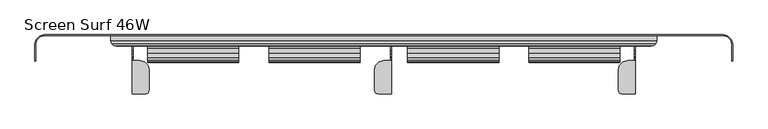
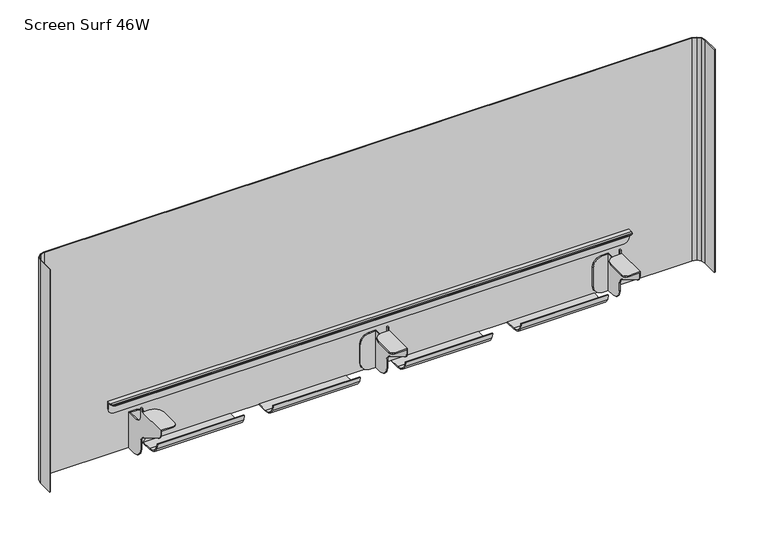
"""IFC4 building model written with IfcOpenShell, lengths in millimetres: furniture geometry, Screen Surf 46W."""

from ifc_helpers import new_model, si_unit, frame, origin, place, context, project, spatial, polyline, outline, extrude, faceted_brep, source, transform, mapped, element, save


def screen_surf_46w_4227848e(model_context):
    return source(origin(), model_context, "Body", "SolidModel", [
        extrude(outline(polyline([(26.1874, 620.2426378), (6.8833997, 620.2426378), (-2.2535497, 622.0600414), (-9.9994821, 627.2357429), (-15.1751473, 634.9816364), (-16.9925997, 644.1185787), (-15.4686, 644.1185787), (-13.767155, 635.5648857), (-8.921851, 628.3133661), (-1.6703402, 623.468095), (6.8833997, 621.7666), (26.1874, 621.7666), (26.1874, 620.2426378)])), frame((825.8810016, 0.0, 0.0), z_axis=(1.0, 0.0, 0.0), x_axis=(0.0, 1.0, 0.0)), (0.0, 0.0, 1.0), 152.4761945),
        extrude(outline(polyline([(26.1874, 620.2426378), (6.8833997, 620.2426378), (-2.2535497, 622.0600414), (-9.9994821, 627.2357429), (-15.1751473, 634.9816364), (-16.9925997, 644.1185787), (-15.4686, 644.1185787), (-13.767155, 635.5648857), (-8.921851, 628.3133661), (-1.6703402, 623.468095), (6.8833997, 621.7666), (26.1874, 621.7666), (26.1874, 620.2426378)])), frame((622.6810016, 0.0, 0.0), z_axis=(1.0, 0.0, 0.0), x_axis=(0.0, 1.0, 0.0)), (0.0, 0.0, 1.0), 152.4761945),
        extrude(outline(polyline([(26.1874, 620.2426378), (6.8833997, 620.2426378), (-2.2535497, 622.0600414), (-9.9994821, 627.2357429), (-15.1751473, 634.9816364), (-16.9925997, 644.1185787), (-15.4686, 644.1185787), (-13.767155, 635.5648857), (-8.921851, 628.3133661), (-1.6703402, 623.468095), (6.8833997, 621.7666), (26.1874, 621.7666), (26.1874, 620.2426378)])), frame((390.2701827, 0.0, 0.0), z_axis=(1.0, 0.0, 0.0), x_axis=(0.0, 1.0, 0.0)), (0.0, 0.0, 1.0), 152.4761945),
        extrude(outline(polyline([(26.1874, 620.2426378), (6.8833997, 620.2426378), (-2.2535497, 622.0600414), (-9.9994821, 627.2357429), (-15.1751473, 634.9816364), (-16.9925997, 644.1185787), (-15.4686, 644.1185787), (-13.767155, 635.5648857), (-8.921851, 628.3133661), (-1.6703402, 623.468095), (6.8833997, 621.7666), (26.1874, 621.7666), (26.1874, 620.2426378)])), frame((187.0701948, 0.0, 0.0), z_axis=(1.0, 0.0, 0.0), x_axis=(0.0, 1.0, 0.0)), (0.0, 0.0, 1.0), 152.4761945),
        faceted_brep([(593.7249879, -12.6746004, 716.2534547), (595.2489864, -12.6746004, 716.2534547), (595.2489864, -9.6265999, 716.2534547), (593.7249879, -9.6265999, 716.2534547), (595.2489864, 26.1874, 620.24151), (595.2489864, 9.6773998, 620.24151), (593.7249879, 9.6773998, 620.24151), (593.7249879, 23.9013999, 620.24151), (582.6759893, 23.9013999, 620.24151), (582.6759893, 26.1874, 620.24151), (566.8009954, -30.0736008, 708.8874799), (566.8009954, -30.0736008, 711.1734596), (568.9278278, -22.1360993, 711.1734596), (568.9278278, -22.1360993, 708.8874799), (574.7384833, -16.3254472, 711.1734596), (574.7384833, -16.3254472, 708.8874799), (582.6759893, -14.1986001, 711.1734596), (582.6759893, -14.1986001, 708.8874799), (595.2489864, -14.1986001, 711.1734596), (595.2489864, -14.1986001, 708.1254625), (593.7249879, -14.1986001, 708.1254625), (593.7249879, -14.1986001, 708.8874799), (593.7249879, 0.0253999, 622.827762), (593.7249879, -7.0403547, 629.8934644), (593.7249879, -9.6265999, 639.5454915), (593.7249879, -9.6265999, 653.6991334), (593.7249879, -10.3925041, 658.0428363), (593.7249879, -12.5978359, 661.8625886), (593.7249879, -15.9765995, 664.6976627), (593.7249879, -63.7285983, 692.2673461), (593.7249879, -67.1073664, 695.1024202), (593.7249879, -69.312696, 698.9221725), (593.7249879, -70.0786013, 703.2658027), (593.7249879, -70.0786013, 708.8874799), (593.7249879, -12.6746004, 708.1254625), (593.7249879, -9.6265999, 699.9974702), (593.7249879, -7.9251225, 693.6474944), (593.7249879, -3.2766, 688.998941), (593.7249879, 3.0733999, 687.2975187), (593.7249879, 23.9013999, 687.2975187), (582.6759893, 23.9013999, 687.2975187), (574.7384833, 23.9013999, 685.1706136), (568.9278278, 23.9013999, 679.3599944), (566.8009954, 23.9013999, 671.4224702), (566.8009954, 23.9013999, 636.1164857), (568.9278278, 23.9013999, 628.1789615), (574.7384833, 23.9013999, 622.3683423), (566.8009954, 26.1874, 671.4224702), (566.8009954, 26.1874, 636.1164857), (574.7384833, 26.1874, 622.3683423), (568.9278278, 26.1874, 628.1789615), (568.9278278, 26.1874, 679.3599944), (574.7384833, 26.1874, 685.1706136), (582.6759893, 26.1874, 687.2975187), (595.2489864, 26.1874, 687.2975187), (595.2489864, -12.6746004, 708.1254625), (595.2489864, -70.0786013, 711.1734596), (595.2489864, -70.0786013, 703.2658027), (595.2489864, -69.312696, 698.9221725), (595.2489864, -67.1073664, 695.1024202), (595.2489864, -63.7285983, 692.2673461), (595.2489864, -15.9765995, 664.6976627), (595.2489864, -12.5978359, 661.8625886), (595.2489864, -10.3925041, 658.0428363), (595.2489864, -9.6265999, 653.6991334), (595.2489864, -9.6265999, 639.5454915), (595.2489864, -7.0403547, 629.8934644), (595.2489864, 0.0253999, 622.827762), (595.2489864, 3.0733999, 687.2975187), (595.2489864, -3.2766, 688.998941), (595.2489864, -7.9251225, 693.6474944), (595.2489864, -9.6265999, 699.9974702), (573.1509893, -70.0786013, 711.1734596), (573.1509893, -70.0786013, 708.8874799), (569.9759833, -69.2278629, 711.1734596), (569.9759833, -69.2278629, 708.8874799), (567.6517247, -66.9035998, 711.1734596), (567.6517247, -66.9035998, 708.8874799), (566.8009954, -63.7285983, 711.1734596), (566.8009954, -63.7285983, 708.8874799)], [[[0, 1, 2, 3]], [[4, 5, 6, 7, 8, 9]], [[10, 11, 12, 13]], [[13, 12, 14, 15]], [[15, 14, 16, 17]], [[17, 16, 18, 19, 20, 21]], [[7, 6, 22, 23, 24, 25, 26, 27, 28, 29, 30, 31, 32, 33, 21, 20, 34, 0, 3, 35, 36, 37, 38, 39]], [[7, 39, 40, 41, 42, 43, 44, 45, 46, 8]], [[43, 47, 48, 44]], [[9, 49, 50, 48, 47, 51, 52, 53, 54, 4]], [[1, 55, 19, 18, 56, 57, 58, 59, 60, 61, 62, 63, 64, 65, 66, 67, 5, 4, 54, 68, 69, 70, 71, 2]], [[33, 32, 57, 56, 72, 73]], [[73, 72, 74, 75]], [[75, 74, 76, 77]], [[77, 76, 78, 79]], [[79, 78, 11, 10]], [[40, 39, 38, 68, 54, 53]], [[53, 52, 41, 40]], [[52, 51, 42, 41]], [[51, 47, 43, 42]], [[45, 44, 48, 50]], [[50, 49, 46, 45]], [[49, 9, 8, 46]], [[33, 73, 75, 77, 79, 10, 13, 15, 17, 21]], [[16, 14, 12, 11, 78, 76, 74, 72, 56, 18]], [[19, 55, 34, 20]], [[55, 1, 0, 34]], [[67, 66, 23, 22]], [[66, 65, 24, 23]], [[65, 64, 25, 24]], [[64, 63, 26, 25]], [[63, 62, 27, 26]], [[62, 61, 28, 27]], [[61, 60, 29, 28]], [[60, 59, 30, 29]], [[59, 58, 31, 30]], [[58, 57, 32, 31]], [[22, 6, 5, 67]], [[35, 3, 2, 71]], [[71, 70, 36, 35]], [[70, 69, 37, 36]], [[69, 68, 38, 37]]]),
        faceted_brep([(1002.157003, -12.6746004, 716.2534547), (1003.6810016, -12.6746004, 716.2534547), (1003.6810016, -9.6265999, 716.2534547), (1002.157003, -9.6265999, 716.2534547), (1003.6810016, 26.1874, 620.24151), (1003.6810016, 9.6773998, 620.24151), (1002.157003, 9.6773998, 620.24151), (1002.157003, 23.9013999, 620.24151), (991.1080045, 23.9013999, 620.24151), (991.1080045, 26.1874, 620.24151), (975.2330105, -30.0736008, 708.8874799), (975.2330105, -30.0736008, 711.1734596), (977.3598429, -22.1360993, 711.1734596), (977.3598429, -22.1360993, 708.8874799), (983.1704984, -16.3254472, 711.1734596), (983.1704984, -16.3254472, 708.8874799), (991.1080045, -14.1986001, 711.1734596), (991.1080045, -14.1986001, 708.8874799), (1003.6810016, -14.1986001, 711.1734596), (1003.6810016, -14.1986001, 708.1254625), (1002.157003, -14.1986001, 708.1254625), (1002.157003, -14.1986001, 708.8874799), (1002.157003, 0.0253999, 622.827762), (1002.157003, -7.0403547, 629.8934644), (1002.157003, -9.6265999, 639.5454915), (1002.157003, -9.6265999, 653.6991334), (1002.157003, -10.3925041, 658.0428363), (1002.157003, -12.5978359, 661.8625886), (1002.157003, -15.9765995, 664.6976627), (1002.157003, -63.7285983, 692.2673461), (1002.157003, -67.1073664, 695.1024202), (1002.157003, -69.312696, 698.9221725), (1002.157003, -70.0786013, 703.2658027), (1002.157003, -70.0786013, 708.8874799), (1002.157003, -12.6746004, 708.1254625), (1002.157003, -9.6265999, 699.9974702), (1002.157003, -7.9251225, 693.6474944), (1002.157003, -3.2766, 688.998941), (1002.157003, 3.0733999, 687.2975187), (1002.157003, 23.9013999, 687.2975187), (991.1080045, 23.9013999, 687.2975187), (983.1704984, 23.9013999, 685.1706136), (977.3598429, 23.9013999, 679.3599944), (975.2330105, 23.9013999, 671.4224702), (975.2330105, 23.9013999, 636.1164857), (977.3598429, 23.9013999, 628.1789615), (983.1704984, 23.9013999, 622.3683423), (975.2330105, 26.1874, 671.4224702), (975.2330105, 26.1874, 636.1164857), (983.1704984, 26.1874, 622.3683423), (977.3598429, 26.1874, 628.1789615), (977.3598429, 26.1874, 679.3599944), (983.1704984, 26.1874, 685.1706136), (991.1080045, 26.1874, 687.2975187), (1003.6810016, 26.1874, 687.2975187), (1003.6810016, -12.6746004, 708.1254625), (1003.6810016, -70.0786013, 711.1734596), (1003.6810016, -70.0786013, 703.2658027), (1003.6810016, -69.312696, 698.9221725), (1003.6810016, -67.1073664, 695.1024202), (1003.6810016, -63.7285983, 692.2673461), (1003.6810016, -15.9765995, 664.6976627), (1003.6810016, -12.5978359, 661.8625886), (1003.6810016, -10.3925041, 658.0428363), (1003.6810016, -9.6265999, 653.6991334), (1003.6810016, -9.6265999, 639.5454915), (1003.6810016, -7.0403547, 629.8934644), (1003.6810016, 0.0253999, 622.827762), (1003.6810016, 3.0733999, 687.2975187), (1003.6810016, -3.2766, 688.998941), (1003.6810016, -7.9251225, 693.6474944), (1003.6810016, -9.6265999, 699.9974702), (981.5830045, -70.0786013, 711.1734596), (981.5830045, -70.0786013, 708.8874799), (978.4079984, -69.2278629, 711.1734596), (978.4079984, -69.2278629, 708.8874799), (976.0837399, -66.9035998, 711.1734596), (976.0837399, -66.9035998, 708.8874799), (975.2330105, -63.7285983, 711.1734596), (975.2330105, -63.7285983, 708.8874799)], [[[0, 1, 2, 3]], [[4, 5, 6, 7, 8, 9]], [[10, 11, 12, 13]], [[13, 12, 14, 15]], [[15, 14, 16, 17]], [[17, 16, 18, 19, 20, 21]], [[7, 6, 22, 23, 24, 25, 26, 27, 28, 29, 30, 31, 32, 33, 21, 20, 34, 0, 3, 35, 36, 37, 38, 39]], [[7, 39, 40, 41, 42, 43, 44, 45, 46, 8]], [[43, 47, 48, 44]], [[9, 49, 50, 48, 47, 51, 52, 53, 54, 4]], [[1, 55, 19, 18, 56, 57, 58, 59, 60, 61, 62, 63, 64, 65, 66, 67, 5, 4, 54, 68, 69, 70, 71, 2]], [[33, 32, 57, 56, 72, 73]], [[73, 72, 74, 75]], [[75, 74, 76, 77]], [[77, 76, 78, 79]], [[79, 78, 11, 10]], [[40, 39, 38, 68, 54, 53]], [[53, 52, 41, 40]], [[52, 51, 42, 41]], [[51, 47, 43, 42]], [[45, 44, 48, 50]], [[50, 49, 46, 45]], [[49, 9, 8, 46]], [[33, 73, 75, 77, 79, 10, 13, 15, 17, 21]], [[16, 14, 12, 11, 78, 76, 74, 72, 56, 18]], [[19, 55, 34, 20]], [[55, 1, 0, 34]], [[67, 66, 23, 22]], [[66, 65, 24, 23]], [[65, 64, 25, 24]], [[64, 63, 26, 25]], [[63, 62, 27, 26]], [[62, 61, 28, 27]], [[61, 60, 29, 28]], [[60, 59, 30, 29]], [[59, 58, 31, 30]], [[58, 57, 32, 31]], [[22, 6, 5, 67]], [[35, 3, 2, 71]], [[71, 70, 36, 35]], [[70, 69, 37, 36]], [[69, 68, 38, 37]]]),
        faceted_brep([(163.194997, -12.6746004, 716.2534547), (163.194997, -9.6265999, 716.2534547), (161.6709984, -9.6265999, 716.2534547), (161.6709984, -12.6746004, 716.2534547), (161.6709984, 26.1874, 620.24151), (174.2439955, 26.1874, 620.24151), (174.2439955, 23.9013999, 620.24151), (163.194997, 23.9013999, 620.24151), (163.194997, 9.6773998, 620.24151), (161.6709984, 9.6773998, 620.24151), (190.1189895, -30.0736008, 708.8874799), (187.9921571, -22.1360993, 708.8874799), (187.9921571, -22.1360993, 711.1734596), (190.1189895, -30.0736008, 711.1734596), (182.1815016, -16.3254472, 708.8874799), (182.1815016, -16.3254472, 711.1734596), (174.2439955, -14.1986001, 708.8874799), (174.2439955, -14.1986001, 711.1734596), (163.194997, -14.1986001, 708.8874799), (163.194997, -14.1986001, 708.1254625), (161.6709984, -14.1986001, 708.1254625), (161.6709984, -14.1986001, 711.1734596), (163.194997, 23.9013999, 687.2975187), (163.194997, 3.0733999, 687.2975187), (163.194997, -3.2766, 688.998941), (163.194997, -7.9251225, 693.6474944), (163.194997, -9.6265999, 699.9974702), (163.194997, -12.6746004, 708.1254625), (163.194997, -70.0786013, 708.8874799), (163.194997, -70.0786013, 703.2658027), (163.194997, -69.312696, 698.9221725), (163.194997, -67.1073664, 695.1024202), (163.194997, -63.7285983, 692.2673461), (163.194997, -15.9765995, 664.6976627), (163.194997, -12.5978359, 661.8625886), (163.194997, -10.3925041, 658.0428363), (163.194997, -9.6265999, 653.6991334), (163.194997, -9.6265999, 639.5454915), (163.194997, -7.0403547, 629.8934644), (163.194997, 0.0253999, 622.827762), (182.1815016, 23.9013999, 622.3683423), (187.9921571, 23.9013999, 628.1789615), (190.1189895, 23.9013999, 636.1164857), (190.1189895, 23.9013999, 671.4224702), (187.9921571, 23.9013999, 679.3599944), (182.1815016, 23.9013999, 685.1706136), (174.2439955, 23.9013999, 687.2975187), (190.1189895, 26.1874, 636.1164857), (190.1189895, 26.1874, 671.4224702), (161.6709984, 26.1874, 687.2975187), (174.2439955, 26.1874, 687.2975187), (182.1815016, 26.1874, 685.1706136), (187.9921571, 26.1874, 679.3599944), (187.9921571, 26.1874, 628.1789615), (182.1815016, 26.1874, 622.3683423), (161.6709984, -9.6265999, 699.9974702), (161.6709984, -7.9251225, 693.6474944), (161.6709984, -3.2766, 688.998941), (161.6709984, 3.0733999, 687.2975187), (161.6709984, 0.0253999, 622.827762), (161.6709984, -7.0403547, 629.8934644), (161.6709984, -9.6265999, 639.5454915), (161.6709984, -9.6265999, 653.6991334), (161.6709984, -10.3925041, 658.0428363), (161.6709984, -12.5978359, 661.8625886), (161.6709984, -15.9765995, 664.6976627), (161.6709984, -63.7285983, 692.2673461), (161.6709984, -67.1073664, 695.1024202), (161.6709984, -69.312696, 698.9221725), (161.6709984, -70.0786013, 703.2658027), (161.6709984, -70.0786013, 711.1734596), (161.6709984, -12.6746004, 708.1254625), (183.7689955, -70.0786013, 708.8874799), (183.7689955, -70.0786013, 711.1734596), (186.9440016, -69.2278629, 708.8874799), (186.9440016, -69.2278629, 711.1734596), (189.2682601, -66.9035998, 708.8874799), (189.2682601, -66.9035998, 711.1734596), (190.1189895, -63.7285983, 708.8874799), (190.1189895, -63.7285983, 711.1734596)], [[[0, 1, 2, 3]], [[4, 5, 6, 7, 8, 9]], [[10, 11, 12, 13]], [[11, 14, 15, 12]], [[14, 16, 17, 15]], [[16, 18, 19, 20, 21, 17]], [[7, 22, 23, 24, 25, 26, 1, 0, 27, 19, 18, 28, 29, 30, 31, 32, 33, 34, 35, 36, 37, 38, 39, 8]], [[7, 6, 40, 41, 42, 43, 44, 45, 46, 22]], [[43, 42, 47, 48]], [[5, 4, 49, 50, 51, 52, 48, 47, 53, 54]], [[3, 2, 55, 56, 57, 58, 49, 4, 9, 59, 60, 61, 62, 63, 64, 65, 66, 67, 68, 69, 70, 21, 20, 71]], [[28, 72, 73, 70, 69, 29]], [[72, 74, 75, 73]], [[74, 76, 77, 75]], [[76, 78, 79, 77]], [[78, 10, 13, 79]], [[46, 50, 49, 58, 23, 22]], [[50, 46, 45, 51]], [[51, 45, 44, 52]], [[52, 44, 43, 48]], [[41, 53, 47, 42]], [[53, 41, 40, 54]], [[54, 40, 6, 5]], [[28, 18, 16, 14, 11, 10, 78, 76, 74, 72]], [[17, 21, 70, 73, 75, 77, 79, 13, 12, 15]], [[20, 19, 27, 71]], [[71, 27, 0, 3]], [[59, 39, 38, 60]], [[60, 38, 37, 61]], [[61, 37, 36, 62]], [[62, 36, 35, 63]], [[63, 35, 34, 64]], [[64, 34, 33, 65]], [[65, 33, 32, 66]], [[66, 32, 31, 67]], [[67, 31, 30, 68]], [[68, 30, 29, 69]], [[39, 59, 9, 8]], [[26, 55, 2, 1]], [[55, 26, 25, 56]], [[56, 25, 24, 57]], [[57, 24, 23, 58]]]),
        faceted_brep([(1039.8759758, 27.7114, 718.7945787), (1039.8759758, 19.5839836, 718.7945787), (1039.8759758, 19.5839836, 717.2705438), (1039.8759758, 26.1879841, 717.2705438), (1039.8759758, 26.1879841, 704.3166107), (1039.8759758, 27.7114, 704.3166107), (125.4759984, 26.1879841, 717.2705438), (125.4759984, 19.5839836, 717.2705438), (125.4759984, 19.5839836, 718.7945787), (125.4759984, 27.7114, 718.7945787), (125.4759984, 27.7114, 704.3166107), (125.4759984, 26.1879841, 704.3166107), (126.7350967, 14.8849835, 719.0969585), (1038.6168957, 14.8849835, 719.0969585), (130.175003, 11.4450772, 719.9284484), (1035.1769893, 11.4450772, 719.9284484), (134.8739985, 10.1859835, 720.5898906), (1030.4780029, 10.1859835, 720.5898906), (134.8739985, 10.1859835, 719.0658557), (1030.4780029, 10.1859835, 719.0658557), (130.175003, 11.4450772, 718.4044862), (1035.1769893, 11.4450772, 718.4044862), (126.7350967, 14.8849835, 717.5729236), (1038.6168957, 14.8849835, 717.5729236), (126.7350967, 26.1879841, 699.6175516), (130.175003, 26.1879841, 696.1776452), (134.8739985, 26.1879841, 694.9185651), (1030.4780029, 26.1879841, 694.9185651), (1035.1769893, 26.1879841, 696.1776452), (1038.6168957, 26.1879841, 699.6175516), (134.8739985, 27.7114, 694.9185651), (1030.4780029, 27.7114, 694.9185651), (1038.6168957, 27.7114, 699.6175516), (1035.1769893, 27.7114, 696.1776452), (130.175003, 27.7114, 696.1776452), (126.7350967, 27.7114, 699.6175516)], [[[0, 1, 2, 3, 4, 5]], [[6, 7, 8, 9, 10, 11]], [[1, 0, 9, 8]], [[1, 8, 12, 13]], [[13, 12, 14, 15]], [[15, 14, 16, 17]], [[17, 16, 18, 19]], [[19, 18, 20, 21]], [[21, 20, 22, 23]], [[7, 2, 23, 22]], [[3, 2, 7, 6]], [[3, 6, 11, 24, 25, 26, 27, 28, 29, 4]], [[27, 26, 30, 31]], [[9, 0, 5, 32, 33, 31, 30, 34, 35, 10]], [[14, 20, 18, 16]], [[20, 14, 12, 22]], [[22, 12, 8, 7]], [[13, 23, 2, 1]], [[15, 21, 23, 13]], [[21, 15, 17, 19]], [[25, 34, 30, 26]], [[34, 25, 24, 35]], [[35, 24, 11, 10]], [[29, 32, 5, 4]], [[32, 29, 28, 33]], [[33, 28, 27, 31]]]),
        extrude(outline(polyline([(0.0, -15.2140162), (-1.524, -15.2140162), (-1.524, 13.3609837), (0.6028467, 21.2984842), (6.4135001, 27.1091374), (14.3488225, 29.2354), (1151.003129, 29.2354), (1158.9384758, 27.1091374), (1164.7491676, 21.2984842), (1166.876, 13.3609838), (1166.876, -15.2140162), (1165.352, -15.2140162), (1165.352, 13.3608537), (1163.4293354, 20.5364849), (1158.1764583, 25.7893143), (1151.0031345, 27.7114), (14.348817, 27.7114), (7.1755, 25.7893143), (1.9226695, 20.5364849), (0.0, 13.3609837), (0.0, -15.2140162)])), frame((0.0, 0.0, 620.2426), z_axis=(0.0, 0.0, 1.0), x_axis=(1.0, 0.0, 0.0)), (0.0, 0.0, 1.0), 413.512),
    ])


if __name__ == "__main__":
    model = new_model("IFC4")
    model_context = context("Model", 3, world=origin())
    ifc_project = project(units=[si_unit("LENGTHUNIT", "METRE", prefix="MILLI")], contexts=[model_context])
    site = spatial("IfcSite", under=ifc_project)
    building = spatial("IfcBuilding", under=site)
    placement = place(None, origin())
    screen_surf_46w_shape = screen_surf_46w_4227848e(model_context)
    element("IfcFurniture", 1, ObjectType="Screen Surf 46W", at=placement, inside=building, context=model_context, shape_type="MappedRepresentation", body=[
        mapped(screen_surf_46w_shape, transform((0.0, 0.0, 0.0), x_axis=(1.0, 0.0, 0.0), y_axis=(0.0, 1.0, 0.0), z_axis=(0.0, 0.0, 1.0))),
    ])
    save(model, "model.ifc")
